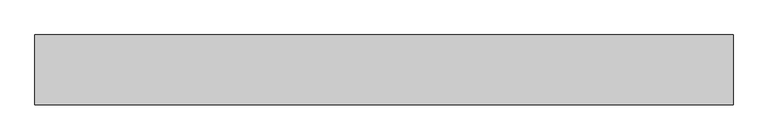
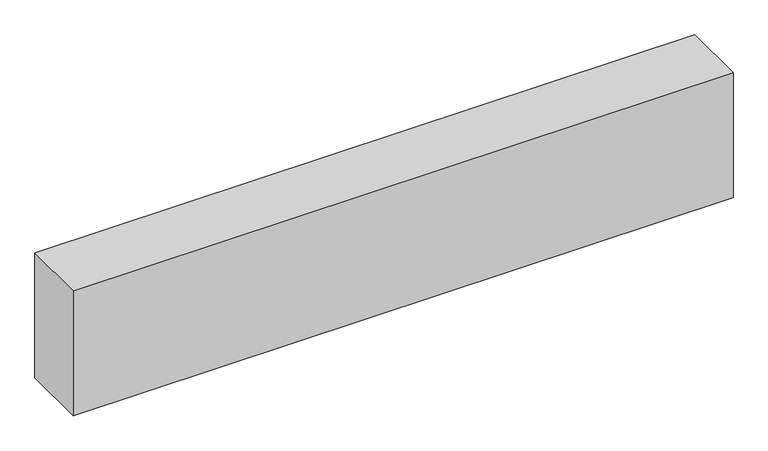
"""IFC4 building model written with IfcOpenShell, lengths in millimetres: beam geometry."""

import ifcopenshell
import ifcopenshell.guid

model = None  # the IFC model being written
_history = None  # IfcOwnerHistory: only IFC2X3 demands one
_inside = {}  # id of a spatial element -> (the spatial element, [elements in it])
_under = {}  # id of a project, library or spatial element -> (it, [spatial elements below it])
_declared = {}  # id of a project -> (the project, [libraries it declares])
_typed = {}  # id of a type object -> (the type object, [elements of that type])
_made_of = {}  # id of a material, layer set ... -> (it, [elements and type objects made of it])


def new_model(schema):
    """Start an empty IFC model of exactly this schema.

    Asked for "IFC4X3", IfcOpenShell would pick the latest addendum, in which some entities
    have other attributes; the version numbers below select the first issue.
    IFC2X3 requires an IfcOwnerHistory on every rooted entity: one is made here for all.
    """
    global model, _history
    if schema == "IFC4X3":
        model = ifcopenshell.file(schema_version=(4, 3, 0, 0))
    else:
        model = ifcopenshell.file(schema=schema)
    _inside.clear()
    _under.clear()
    _declared.clear()
    _typed.clear()
    _made_of.clear()
    _history = None
    if model.schema == "IFC2X3":
        org = make("IfcOrganization", Name="unknown")
        user = make(
            "IfcPersonAndOrganization",
            ThePerson=make("IfcPerson", FamilyName="unknown"),
            TheOrganization=org,
        )
        app = make(
            "IfcApplication",
            ApplicationDeveloper=org,
            Version="unknown",
            ApplicationFullName="unknown",
            ApplicationIdentifier="unknown",
        )
        _history = make(
            "IfcOwnerHistory",
            OwningUser=user,
            OwningApplication=app,
            ChangeAction="ADDED",
            CreationDate=0,
        )
    return model


def make(cls, **values):
    """One entity of the class cls with the attributes given. An attribute that is None is left unset."""
    return model.create_entity(
        cls, **{name: value for name, value in values.items() if value is not None}
    )


def rooted(cls, **values):
    """An entity with a GlobalId (a new one), such as an element, a storey or a relation."""
    return make(cls, GlobalId=ifcopenshell.guid.new(), OwnerHistory=_history, **values)


def si_unit(unit_type, name, prefix=None):
    """IfcSIUnit, for example si_unit("LENGTHUNIT", "METRE", prefix="MILLI")."""
    return make("IfcSIUnit", UnitType=unit_type, Prefix=prefix, Name=name)


def assignment(units):
    """IfcUnitAssignment: the units of a project."""
    return None if units is None else make("IfcUnitAssignment", Units=units)


def point(xyz):
    """IfcCartesianPoint."""
    return None if xyz is None else make("IfcCartesianPoint", Coordinates=xyz)


def direction(xyz):
    """IfcDirection."""
    return None if xyz is None else make("IfcDirection", DirectionRatios=xyz)


def frame(location, z_axis=None, x_axis=None):
    """IfcAxis2Placement3D, a coordinate frame: its origin and axes. An axis left out is left unset."""
    return make(
        "IfcAxis2Placement3D",
        Location=point(location),
        Axis=direction(z_axis),
        RefDirection=direction(x_axis),
    )


def origin():
    """The frame at (0, 0, 0) with its axes left unset."""
    return frame((0.0, 0.0, 0.0))


def origin_with_axes():
    """The frame at (0, 0, 0) with the z axis (0, 0, 1) and the x axis (1, 0, 0) written out."""
    return frame((0.0, 0.0, 0.0), z_axis=(0.0, 0.0, 1.0), x_axis=(1.0, 0.0, 0.0))


def place(relative_to, where):
    """IfcLocalPlacement: puts the frame where relative to a parent placement (None: the world)."""
    return make(
        "IfcLocalPlacement", PlacementRelTo=relative_to, RelativePlacement=where
    )


def context(
    kind, dimensions, precision=None, world=None, true_north=None, identifier=None
):
    """IfcGeometricRepresentationContext, for example the 3D "Model" context."""
    return make(
        "IfcGeometricRepresentationContext",
        ContextIdentifier=identifier,
        ContextType=kind,
        CoordinateSpaceDimension=dimensions,
        Precision=precision,
        WorldCoordinateSystem=world,
        TrueNorth=true_north,
    )


def project(units=None, contexts=None):
    """IfcProject with its units and contexts."""
    return rooted(
        "IfcProject",
        Name="project",
        RepresentationContexts=contexts,
        UnitsInContext=assignment(units),
    )


def spatial(cls, under=None, at=None, **own):
    """A site, building, storey or space (cls), placed at a placement, below another one or the project."""
    s = rooted(cls, ObjectPlacement=at, **own)
    if under is not None:
        _under.setdefault(under.id(), (under, []))[1].append(s)
    return s


def polyline(points):
    """IfcPolyline through the points."""
    return make("IfcPolyline", Points=[point(p) for p in points])


def outline(outer, holes=None, kind="AREA"):
    """IfcArbitraryClosedProfileDef: a profile drawn as a closed curve; with holes, ...WithVoids."""
    if holes is None:
        return make("IfcArbitraryClosedProfileDef", ProfileType=kind, OuterCurve=outer)
    return make(
        "IfcArbitraryProfileDefWithVoids",
        ProfileType=kind,
        OuterCurve=outer,
        InnerCurves=holes,
    )


def extrude(swept, where, along, depth):
    """IfcExtrudedAreaSolid: the profile swept, set in the frame where, extruded along a direction by depth."""
    return make(
        "IfcExtrudedAreaSolid",
        SweptArea=swept,
        Position=where,
        ExtrudedDirection=direction(along),
        Depth=depth,
    )


def shape(context_of_items, identifier, shape_type, items):
    """IfcShapeRepresentation: the items that make up one representation, for example the "Body"."""
    return make(
        "IfcShapeRepresentation",
        ContextOfItems=context_of_items,
        RepresentationIdentifier=identifier,
        RepresentationType=shape_type,
        Items=items,
    )


def source(mapping_origin, context_of_items, identifier, shape_type, items):
    """IfcRepresentationMap: a shape defined once, which mapped items show again and again."""
    return make(
        "IfcRepresentationMap",
        MappingOrigin=mapping_origin,
        MappedRepresentation=shape(context_of_items, identifier, shape_type, items),
    )


def transform(
    local_origin,
    x_axis=None,
    y_axis=None,
    z_axis=None,
    scale=None,
    scale2=None,
    scale3=None,
    uniform=True,
):
    """IfcCartesianTransformationOperator3D, or its non-uniform kind. x_axis, y_axis, z_axis: its Axis1, 2, 3."""
    if uniform:
        return make(
            "IfcCartesianTransformationOperator3D",
            Axis1=direction(x_axis),
            Axis2=direction(y_axis),
            LocalOrigin=point(local_origin),
            Scale=scale,
            Axis3=direction(z_axis),
        )
    return make(
        "IfcCartesianTransformationOperator3DnonUniform",
        Axis1=direction(x_axis),
        Axis2=direction(y_axis),
        LocalOrigin=point(local_origin),
        Scale=scale,
        Axis3=direction(z_axis),
        Scale2=scale2,
        Scale3=scale3,
    )


def mapped(mapping_source, mapping_target):
    """IfcMappedItem: shows the shape of a source again, moved by a transform."""
    return make(
        "IfcMappedItem", MappingSource=mapping_source, MappingTarget=mapping_target
    )


def made_of(thing, what):
    """Note that an element or type object is made of a material, layer set ...; save() writes the relation."""
    if what is not None:
        _made_of.setdefault(what.id(), (what, []))[1].append(thing)
    return thing


def element(
    cls,
    number,
    at=None,
    inside=None,
    cuts=None,
    type_object=None,
    material=None,
    context=None,
    identifier="Body",
    shape_type=None,
    held_by="IfcProductDefinitionShape",
    body=None,
    shapes=None,
    **own,
):
    """One element of the class cls, such as IfcWall. Its Tag is "e" and its number.

    at: its placement. inside: the storey or other place that contains it. cuts: it is an
    opening in that element (IfcRelVoidsElement). A single representation is given by context,
    identifier, shape_type and body (its items); several are given by shapes. held_by: the class
    of the entity that holds the representations. save() writes the other relations.
    """
    e = rooted(cls, Tag="e%d" % number, ObjectPlacement=at, **own)
    if body is not None:
        shapes = [shape(context, identifier, shape_type, body)]
    if shapes is not None:
        e.Representation = make(held_by, Representations=shapes)
    if inside is not None:
        _inside.setdefault(inside.id(), (inside, []))[1].append(e)
    if cuts is not None:
        rooted(
            "IfcRelVoidsElement", RelatingBuildingElement=cuts, RelatedOpeningElement=e
        )
    if type_object is not None:
        _typed.setdefault(type_object.id(), (type_object, []))[1].append(e)
    return made_of(e, material)


def aggregate(whole, parts):
    """IfcRelAggregates: a whole, such as a stair, and the parts it consists of."""
    return rooted("IfcRelAggregates", RelatingObject=whole, RelatedObjects=parts)


def save(model, path):
    """Write the relations noted so far, then the file.

    IfcRelAggregates (storeys below a building ...), IfcRelContainedInSpatialStructure (elements
    in a storey), IfcRelDefinesByType, IfcRelAssociatesMaterial and IfcRelDeclares: one each for
    every whole, place, type object, material and project.
    """
    for whole, parts in _under.values():
        aggregate(whole, parts)
    for where, things in _inside.values():
        rooted(
            "IfcRelContainedInSpatialStructure",
            RelatedElements=things,
            RelatingStructure=where,
        )
    for kind, things in _typed.values():
        rooted("IfcRelDefinesByType", RelatedObjects=things, RelatingType=kind)
    for what, things in _made_of.values():
        rooted("IfcRelAssociatesMaterial", RelatedObjects=things, RelatingMaterial=what)
    for by, libraries in _declared.values():
        rooted("IfcRelDeclares", RelatingContext=by, RelatedDefinitions=libraries)
    model.write(path)


def beam_f079a7fe(model_context):
    return source(origin(), model_context, "Body", "SweptSolid", [
        extrude(outline(polyline([(750.0, 75.0), (750.0, -75.0), (-750.0, -75.0), (-750.0, 75.0), (750.0, 75.0)])), origin_with_axes(), (0.0, 0.0, 1.0), 300.0),
    ])


if __name__ == "__main__":
    model = new_model("IFC4")
    model_context = context("Model", 3, world=origin())
    ifc_project = project(units=[si_unit("LENGTHUNIT", "METRE", prefix="MILLI")], contexts=[model_context])
    site = spatial("IfcSite", under=ifc_project)
    building = spatial("IfcBuilding", under=site)
    placement = place(None, origin())
    beam_shape = beam_f079a7fe(model_context)
    element("IfcBeam", 1, at=placement, inside=building, context=model_context, shape_type="MappedRepresentation", body=[
        mapped(beam_shape, transform((0.0, 0.0, 0.0), x_axis=(1.0, 0.0, 0.0), y_axis=(0.0, 1.0, 0.0), z_axis=(0.0, 0.0, 1.0))),
    ])
    save(model, "model.ifc")
